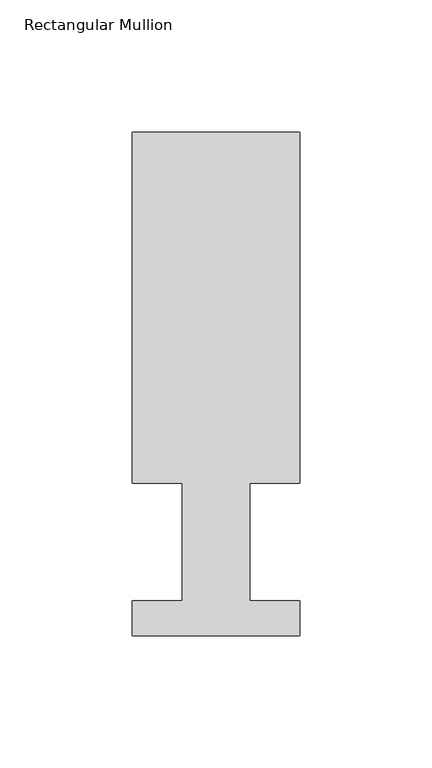
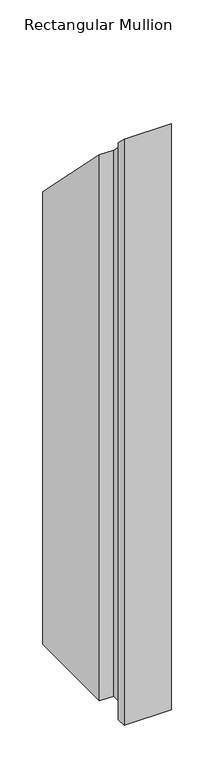
"""IFC4 building model written with IfcOpenShell, lengths in millimetres: member geometry, Rectangular Mullion."""

from ifc_helpers import new_model, si_unit, origin, place, context, project, spatial, faceted_brep, source, transform, mapped, element, save


def rectangular_mullion_6fdf6b26(model_context):
    return source(origin(), model_context, "Body", "Brep", [
        faceted_brep([(-63.5, 190.5896937, -838.2), (0.0, 190.5896937, -838.2), (0.0, 57.6460937, -838.2), (-19.0373, 57.6460937, -838.2), (-19.0373, 13.1960937, -838.2), (0.0, 13.1960937, -838.2), (0.0, 0.0134937, -838.2), (-63.5, 0.0134937, -838.2), (-63.5, 13.1960937, -838.2), (-44.45, 13.1960937, -838.2), (-44.45, 57.6460937, -838.2), (-63.5, 57.6460937, -838.2), (-63.5, 57.6460937, -57.6460938), (-63.5, 190.5896937, -190.5896937), (-44.45, 57.6460937, -57.6460938), (-44.45, 13.1960937, -13.1960937), (-63.5, 13.1960937, -13.1960937), (-63.5, 0.0134937, -0.0134937), (0.0, 0.0134937, -0.0134937), (0.0, 13.1960937, -13.1960937), (-19.0373, 13.1960937, -13.1960937), (-19.0373, 57.6460937, -57.6460938), (0.0, 57.6460937, -57.6460938), (0.0, 190.5896937, -190.5896937)], [[[0, 1, 2, 3, 4, 5, 6, 7, 8, 9, 10, 11]], [[12, 13, 0, 11]], [[14, 12, 11, 10]], [[15, 14, 10, 9]], [[16, 15, 9, 8]], [[17, 16, 8, 7]], [[18, 17, 7, 6]], [[19, 18, 6, 5]], [[20, 19, 5, 4]], [[21, 20, 4, 3]], [[22, 21, 3, 2]], [[23, 22, 2, 1]], [[13, 23, 1, 0]], [[13, 12, 14, 15, 16, 17, 18, 19, 20, 21, 22, 23]]]),
    ])


if __name__ == "__main__":
    model = new_model("IFC4")
    model_context = context("Model", 3, world=origin())
    ifc_project = project(units=[si_unit("LENGTHUNIT", "METRE", prefix="MILLI")], contexts=[model_context])
    site = spatial("IfcSite", under=ifc_project)
    building = spatial("IfcBuilding", under=site)
    placement = place(None, origin())
    rectangular_mullion_shape = rectangular_mullion_6fdf6b26(model_context)
    element("IfcMember", 1, ObjectType="Rectangular Mullion", at=placement, inside=building, context=model_context, shape_type="MappedRepresentation", body=[
        mapped(rectangular_mullion_shape, transform((0.0, 0.0, 0.0), x_axis=(1.0, 0.0, 0.0), y_axis=(0.0, 1.0, 0.0), z_axis=(0.0, 0.0, 1.0))),
    ])
    save(model, "model.ifc")
